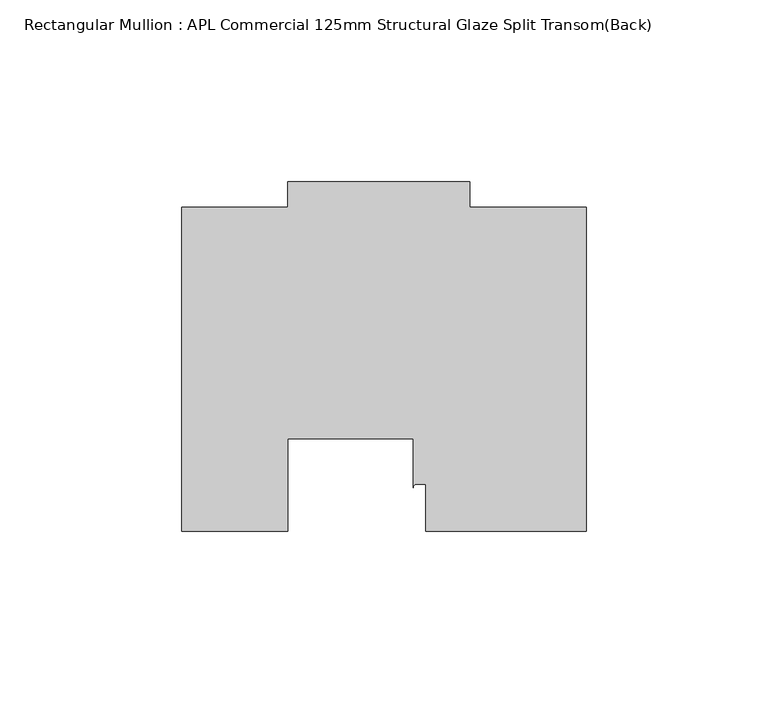
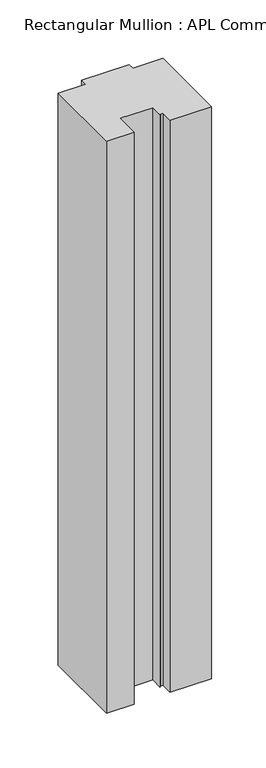
"""IFC4 building model written with IfcOpenShell, lengths in millimetres: member geometry, Rectangular Mullion : APL Commercial 125mm Structural Glaze Split Transom(Back)."""

from ifc_helpers import new_model, si_unit, point, frame, frame_2d, origin, place, context, project, spatial, polyline, circle_curve, trimmed, segment, composite_curve, outline, extrude, source, transform, mapped, element, save


def rectangular_mullion_apl_commercial_125mm_structural_glaze_09956860(model_context):
    return source(origin(), model_context, "Body", "SweptSolid", [
        extrude(outline(composite_curve([segment(polyline([(54.0000029, 15.0004617), (10.0000029, 15.0004617), (10.0000029, 28.0002131), (7.5000029, 28.0002131)]), True, "CONTINUOUS"), segment(trimmed(circle_curve(frame_2d((7.5000029, 27.0002131)), 1.0), [point((7.5000029, 28.0002131))], [point((6.5000029, 27.0002131))], True, "CARTESIAN"), True, "CONTINUOUS"), segment(polyline([(6.5000029, 27.0002131), (6.5000029, 40.499932), (-28.0000482, 40.499932), (-28.0000482, 15.0001793), (-57.0000004, 15.0001793), (-57.0000004, 103.9999439), (-27.9971154, 103.9999439), (-27.9971154, 111.0), (22.0028846, 111.0), (22.0028846, 104.0), (54.0000029, 104.0), (54.0000029, 15.0004617)]), True, "CONTINUOUS")], self_intersect=False)), frame((0.0, 0.0, -640.0000409), z_axis=(0.0, 0.0, 1.0), x_axis=(1.0, 0.0, 0.0)), (0.0, 0.0, 1.0), 640.0000409),
    ])


if __name__ == "__main__":
    model = new_model("IFC4")
    model_context = context("Model", 3, world=origin())
    ifc_project = project(units=[si_unit("LENGTHUNIT", "METRE", prefix="MILLI")], contexts=[model_context])
    site = spatial("IfcSite", under=ifc_project)
    building = spatial("IfcBuilding", under=site)
    placement = place(None, origin())
    rectangular_mullion_apl_commercial_125mm_structural_glaze_shape = rectangular_mullion_apl_commercial_125mm_structural_glaze_09956860(model_context)
    element("IfcMember", 1, ObjectType="Rectangular Mullion : APL Commercial 125mm Structural Glaze Split Transom(Back)", at=placement, inside=building, context=model_context, shape_type="MappedRepresentation", body=[
        mapped(rectangular_mullion_apl_commercial_125mm_structural_glaze_shape, transform((0.0, 0.0, 0.0), x_axis=(1.0, 0.0, 0.0), y_axis=(0.0, 1.0, 0.0), z_axis=(0.0, 0.0, 1.0))),
    ])
    save(model, "model.ifc")
